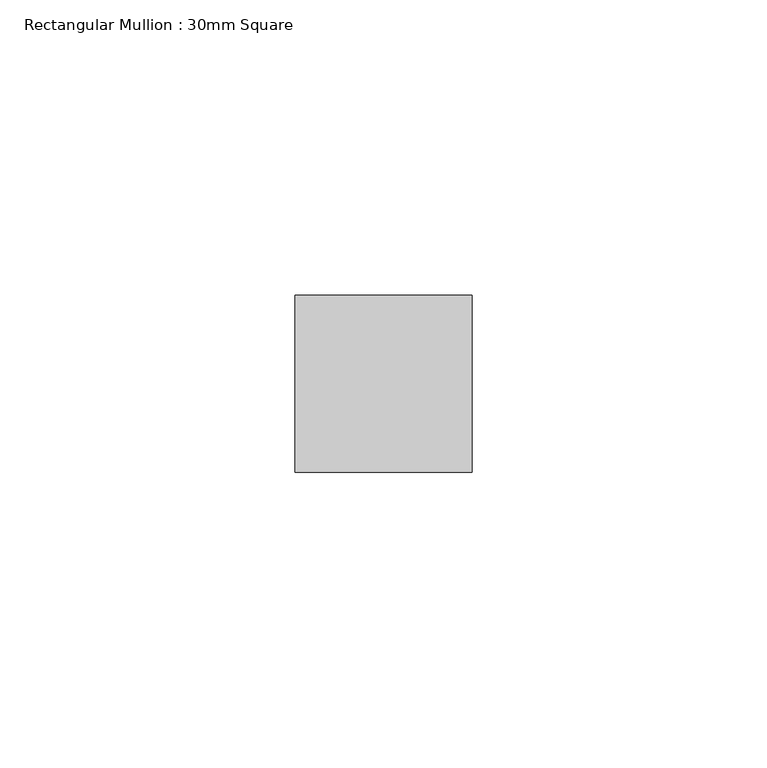
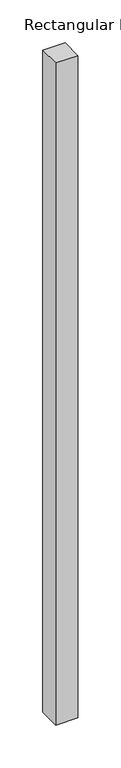
"""IFC4 building model written with IfcOpenShell, lengths in millimetres: member geometry, Rectangular Mullion : 30mm Square."""

from ifc_helpers import new_model, si_unit, frame, origin, place, context, project, spatial, polyline, outline, extrude, source, transform, mapped, element, save


def rectangular_mullion_30mm_square_4e709aa6(model_context):
    return source(origin(), model_context, "Body", "SweptSolid", [
        extrude(outline(polyline([(15.0, 15.0), (15.0, -15.0), (-15.0, -15.0), (-15.0, 15.0), (15.0, 15.0)])), frame((0.0, 0.0, -943.9565766), z_axis=(0.0, 0.0, 1.0), x_axis=(1.0, 0.0, 0.0)), (0.0, 0.0, 1.0), 943.9565766),
    ])


if __name__ == "__main__":
    model = new_model("IFC4")
    model_context = context("Model", 3, world=origin())
    ifc_project = project(units=[si_unit("LENGTHUNIT", "METRE", prefix="MILLI")], contexts=[model_context])
    site = spatial("IfcSite", under=ifc_project)
    building = spatial("IfcBuilding", under=site)
    placement = place(None, origin())
    rectangular_mullion_30mm_square_shape = rectangular_mullion_30mm_square_4e709aa6(model_context)
    element("IfcMember", 1, ObjectType="Rectangular Mullion : 30mm Square", at=placement, inside=building, context=model_context, shape_type="MappedRepresentation", body=[
        mapped(rectangular_mullion_30mm_square_shape, transform((0.0, 0.0, 0.0), x_axis=(1.0, 0.0, 0.0), y_axis=(0.0, 1.0, 0.0), z_axis=(0.0, 0.0, 1.0))),
    ])
    save(model, "model.ifc")
